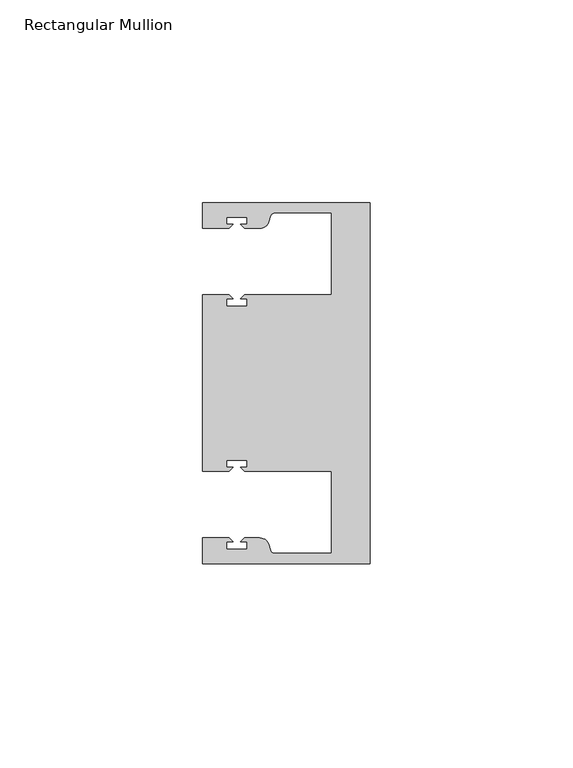
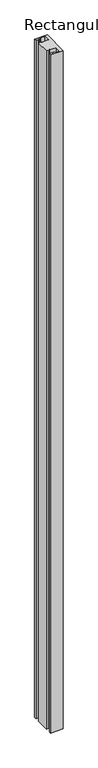
"""IFC4 building model written with IfcOpenShell, lengths in millimetres: member geometry, Rectangular Mullion."""

from ifc_helpers import new_model, si_unit, point, frame, frame_2d, origin, place, context, project, spatial, polyline, circle_curve, trimmed, segment, composite_curve, outline, extrude, source, transform, mapped, element, save


def rectangular_mullion_4d53fbff(model_context):
    return source(origin(), model_context, "Body", "SweptSolid", [
        extrude(outline(composite_curve([segment(polyline([(0.0, -44.45), (-41.2749977, -44.45), (-41.2749977, -38.1499897), (-34.8007531, -38.1499897), (-33.8007405, -39.1500023), (-35.3749778, -39.1500023), (-35.3749778, -40.9498819), (-30.3749831, -40.9498819), (-30.3749831, -39.1500023), (-31.949256, -39.1500023), (-30.9492503, -38.1499966), (-27.2637853, -38.1499966)]), True, "CONTINUOUS"), segment(trimmed(circle_curve(frame_2d((-27.2637853, -40.6499966)), 2.5), [point((-27.2637853, -38.1499966))], [point((-24.8489707, -40.002949))], False, "CARTESIAN"), True, "CONTINUOUS"), segment(polyline([(-24.8489707, -40.002949), (-24.5258588, -41.2088192)]), True, "CONTINUOUS"), segment(trimmed(circle_curve(frame_2d((-23.5599329, -40.9500001)), 1.0), [point((-24.5258588, -41.2088192))], [point((-23.5599329, -41.9500001))], True, "CARTESIAN"), True, "CONTINUOUS"), segment(polyline([(-23.5599329, -41.9500001), (-9.525, -41.95), (-9.525, -21.7499959), (-30.9492434, -21.7499959), (-31.949256, -20.7499834), (-30.3750186, -20.7499834), (-30.3750186, -18.949936), (-35.3750134, -18.949936), (-35.3750134, -20.7499834), (-33.8007405, -20.7499834), (-34.8007562, -21.749999), (-41.275, -21.749999), (-41.275, 21.749999), (-34.8007562, 21.749999), (-33.8007405, 20.7499834), (-35.3750134, 20.7499834), (-35.3750134, 18.949936), (-30.3750186, 18.949936), (-30.3750186, 20.7499834), (-31.949256, 20.7499834), (-30.9492434, 21.7499959), (-9.525, 21.7499959), (-9.525, 41.95), (-23.5599329, 41.95)]), True, "CONTINUOUS"), segment(trimmed(circle_curve(frame_2d((-23.5599329, 40.9500001)), 1.0), [point((-23.5599329, 41.95))], [point((-24.5258588, 41.2088192))], True, "CARTESIAN"), True, "CONTINUOUS"), segment(polyline([(-24.5258588, 41.2088192), (-24.8489707, 40.002949)]), True, "CONTINUOUS"), segment(trimmed(circle_curve(frame_2d((-27.2637853, 40.6499966)), 2.5), [point((-24.8489707, 40.002949))], [point((-27.2637853, 38.1499966))], False, "CARTESIAN"), True, "CONTINUOUS"), segment(polyline([(-27.2637853, 38.1499966), (-30.9492503, 38.1499966), (-31.949256, 39.1500023), (-30.3749831, 39.1500023), (-30.3749831, 40.9498819), (-35.3749778, 40.9498819), (-35.3749778, 39.1500023), (-33.8007405, 39.1500023), (-34.8007531, 38.1499897), (-41.275, 38.1499897), (-41.275, 44.45), (0.0, 44.45), (0.0, -44.45)]), True, "CONTINUOUS")], self_intersect=False)), frame((0.0, 0.0, -2336.8), z_axis=(0.0, 0.0, 1.0), x_axis=(1.0, 0.0, 0.0)), (0.0, 0.0, 1.0), 2336.8),
    ])


if __name__ == "__main__":
    model = new_model("IFC4")
    model_context = context("Model", 3, world=origin())
    ifc_project = project(units=[si_unit("LENGTHUNIT", "METRE", prefix="MILLI")], contexts=[model_context])
    site = spatial("IfcSite", under=ifc_project)
    building = spatial("IfcBuilding", under=site)
    placement = place(None, origin())
    rectangular_mullion_shape = rectangular_mullion_4d53fbff(model_context)
    element("IfcMember", 1, ObjectType="Rectangular Mullion", at=placement, inside=building, context=model_context, shape_type="MappedRepresentation", body=[
        mapped(rectangular_mullion_shape, transform((0.0, 0.0, 0.0), x_axis=(1.0, 0.0, 0.0), y_axis=(0.0, 1.0, 0.0), z_axis=(0.0, 0.0, 1.0))),
    ])
    save(model, "model.ifc")
